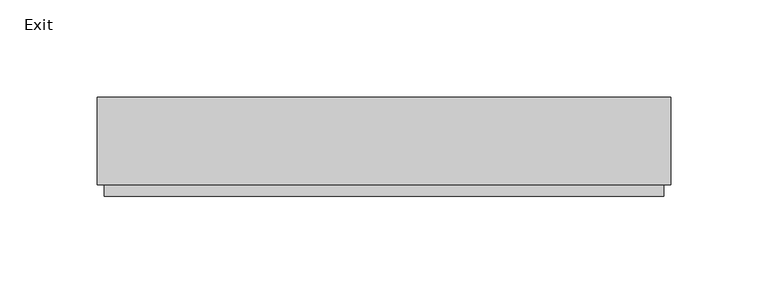
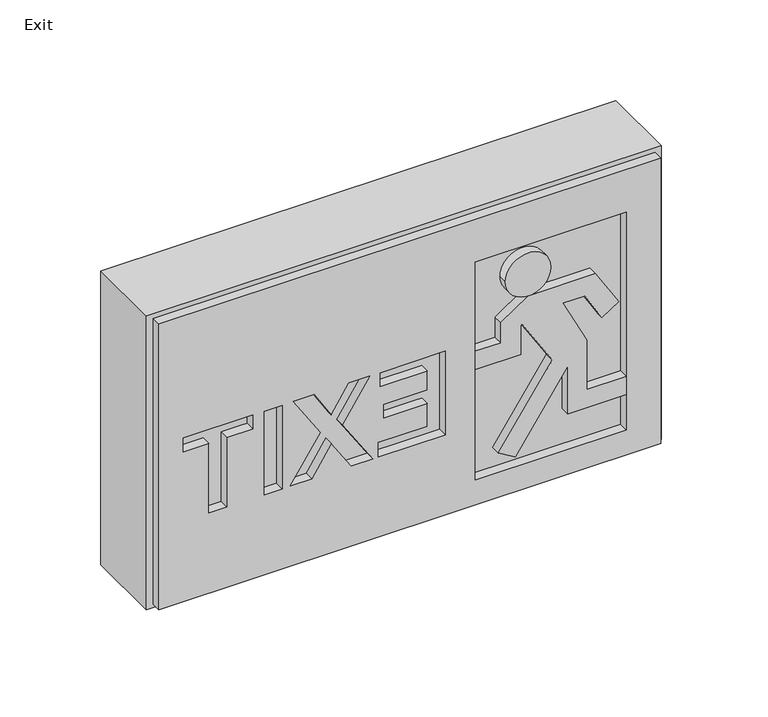
"""IFC4 building model written with IfcOpenShell, lengths in millimetres: light fixture geometry, Exit."""

from ifc_helpers import new_model, si_unit, point, frame, frame_2d, origin, place, context, project, spatial, polyline, circle_curve, trimmed, segment, composite_curve, outline, extrude, source, transform, mapped, element, save


def exit_ce21644f(model_context):
    return source(origin(), model_context, "Body", "SweptSolid", [
        extrude(outline(polyline([(-22.5, -45.0), (-22.5, 0.0), (272.5, 0.0), (272.5, -45.0), (-22.5, -45.0)])), frame((0.0, 0.0, 1711.0), z_axis=(0.0, 0.0, 1.0), x_axis=(1.0, 0.0, 0.0)), (0.0, 0.0, 1.0), 178.0),
        extrude(outline(composite_curve([segment(trimmed(circle_curve(frame_2d((1842.5382951, 192.8544593)), 13.0), [point((1842.5382951, 179.8544593))], [point((1842.5382951, 205.8544593))], False, "CARTESIAN"), True, "CONTINUOUS"), segment(trimmed(circle_curve(frame_2d((1842.5382951, 192.8544593)), 13.0), [point((1842.5382951, 205.8544593))], [point((1842.5382951, 179.8544593))], False, "CARTESIAN"), True, "CONTINUOUS")], self_intersect=False)), frame((0.0, -51.0, 0.0), z_axis=(0.0, 1.0, 0.0), x_axis=(0.0, 0.0, 1.0)), (0.0, 0.0, 1.0), 6.0),
        extrude(outline(polyline([(1806.6023038, 177.0232796), (1806.6023038, 162.6123637), (1795.6023038, 162.6123637), (1795.6023038, 188.6123637), (1813.141173, 188.6123637), (1813.7415976, 189.2127883), (1786.0550088, 206.5132891), (1740.4579423, 175.7576794), (1734.6374808, 185.4445541), (1779.1356317, 215.4589358), (1750.1015179, 215.4589358), (1750.1015179, 249.1079391), (1761.1015179, 249.1079391), (1761.1015179, 226.4589358), (1791.1015179, 226.4589358), (1818.2655739, 212.618158), (1818.2655739, 225.1323433), (1801.8045984, 235.0230953), (1807.8611133, 244.7155451), (1829.5382951, 231.1701386), (1829.5382951, 192.8601632), (1818.8561822, 177.0232796), (1806.6023038, 177.0232796)])), frame((0.0, -51.0, 0.0), z_axis=(0.0, 1.0, 0.0), x_axis=(0.0, 0.0, 1.0)), (0.0, 0.0, 1.0), 6.0),
        extrude(outline(polyline([(1886.5, 268.8582677), (1886.5, -18.8582677), (1713.5, -18.8582677), (1713.5, 268.8582677), (1886.5, 268.8582677)]), holes=[polyline([(1860.6259983, 249.1079391), (1728.6259983, 249.1079391), (1728.6259983, 162.6123637), (1860.6259983, 162.6123637), (1860.6259983, 249.1079391)]), polyline([(1770.6372015, 107.0592288), (1770.6372015, 135.0572103), (1784.4457115, 135.0572103), (1784.4457115, 110.0572103), (1792.7702269, 110.0572103), (1792.7702269, 135.0572103), (1804.200986, 135.0572103), (1804.200986, 108.0190604), (1812.5852938, 108.0190604), (1812.5852938, 145.4694736), (1761.9965361, 145.4694736), (1761.9965361, 107.0592288), (1770.6372015, 107.0592288)]), polyline([(1761.9965361, 91.4689594), (1779.6298626, 80.2046676), (1761.9965361, 68.9403757), (1761.9965361, 56.6124433), (1788.5436114, 73.9935023), (1812.7081666, 58.336611), (1812.7081666, 70.2665105), (1796.8065612, 80.2046676), (1812.7081666, 90.1428246), (1812.7081666, 102.0727241), (1788.5436114, 86.4158328), (1761.9965361, 103.7968918), (1761.9965361, 91.4689594)]), polyline([(1761.9965361, 51.9702514), (1761.9965361, 41.6286178), (1812.5852938, 41.6286178), (1812.5852938, 51.9702514), (1761.9965361, 51.9702514)]), polyline([(1761.9965361, 20.166948), (1761.9965361, 9.9365147), (1804.200986, 9.9365147), (1804.200986, -4.741933), (1812.7081666, -4.741933), (1812.7081666, 35.1789968), (1804.200986, 35.1789968), (1804.200986, 20.166948), (1761.9965361, 20.166948)])]), frame((0.0, -51.0, 0.0), z_axis=(0.0, 1.0, 0.0), x_axis=(0.0, 0.0, 1.0)), (0.0, 0.0, 1.0), 6.0),
        extrude(outline(composite_curve([segment(trimmed(circle_curve(frame_2d((1842.5382951, 192.8544593)), 13.0), [point((1842.5382951, 179.8544593))], [point((1842.5382951, 205.8544593))], False, "CARTESIAN"), True, "CONTINUOUS"), segment(trimmed(circle_curve(frame_2d((1842.5382951, 192.8544593)), 13.0), [point((1842.5382951, 205.8544593))], [point((1842.5382951, 179.8544593))], False, "CARTESIAN"), True, "CONTINUOUS")], self_intersect=False)), frame((0.0, -51.0, 0.0), z_axis=(0.0, 1.0, 0.0), x_axis=(0.0, 0.0, 1.0)), (0.0, 0.0, 1.0), 6.0),
        extrude(outline(polyline([(1806.6023038, 177.0232796), (1806.6023038, 162.6123637), (1795.6023038, 162.6123637), (1795.6023038, 188.6123637), (1813.141173, 188.6123637), (1813.7415976, 189.2127883), (1786.0550088, 206.5132891), (1740.4579423, 175.7576794), (1734.6374808, 185.4445541), (1779.1356317, 215.4589358), (1750.1015179, 215.4589358), (1750.1015179, 249.1079391), (1761.1015179, 249.1079391), (1761.1015179, 226.4589358), (1791.1015179, 226.4589358), (1818.2655739, 212.618158), (1818.2655739, 225.1323433), (1801.8045984, 235.0230953), (1807.8611133, 244.7155451), (1829.5382951, 231.1701386), (1829.5382951, 192.8601632), (1818.8561822, 177.0232796), (1806.6023038, 177.0232796)])), frame((0.0, -51.0, 0.0), z_axis=(0.0, 1.0, 0.0), x_axis=(0.0, 0.0, 1.0)), (0.0, 0.0, 1.0), 6.0),
        extrude(outline(composite_curve([segment(trimmed(circle_curve(frame_2d((1842.5382951, 192.8544593)), 13.0), [point((1842.5382951, 179.8544593))], [point((1842.5382951, 205.8544593))], False, "CARTESIAN"), True, "CONTINUOUS"), segment(trimmed(circle_curve(frame_2d((1842.5382951, 192.8544593)), 13.0), [point((1842.5382951, 205.8544593))], [point((1842.5382951, 179.8544593))], False, "CARTESIAN"), True, "CONTINUOUS")], self_intersect=False)), frame((0.0, -51.0, 0.0), z_axis=(0.0, 1.0, 0.0), x_axis=(0.0, 0.0, 1.0)), (0.0, 0.0, 1.0), 6.0),
        extrude(outline(polyline([(1806.6023038, 177.0232796), (1806.6023038, 162.6123637), (1795.6023038, 162.6123637), (1795.6023038, 188.6123637), (1813.141173, 188.6123637), (1813.7415976, 189.2127883), (1786.0550088, 206.5132891), (1740.4579423, 175.7576794), (1734.6374808, 185.4445541), (1779.1356317, 215.4589358), (1750.1015179, 215.4589358), (1750.1015179, 249.1079391), (1761.1015179, 249.1079391), (1761.1015179, 226.4589358), (1791.1015179, 226.4589358), (1818.2655739, 212.618158), (1818.2655739, 225.1323433), (1801.8045984, 235.0230953), (1807.8611133, 244.7155451), (1829.5382951, 231.1701386), (1829.5382951, 192.8601632), (1818.8561822, 177.0232796), (1806.6023038, 177.0232796)])), frame((0.0, -51.0, 0.0), z_axis=(0.0, 1.0, 0.0), x_axis=(0.0, 0.0, 1.0)), (0.0, 0.0, 1.0), 6.0),
    ])


if __name__ == "__main__":
    model = new_model("IFC4")
    model_context = context("Model", 3, world=origin())
    ifc_project = project(units=[si_unit("LENGTHUNIT", "METRE", prefix="MILLI")], contexts=[model_context])
    site = spatial("IfcSite", under=ifc_project)
    building = spatial("IfcBuilding", under=site)
    placement = place(None, origin())
    ifc_exit_shape = exit_ce21644f(model_context)
    element("IfcLightFixture", 1, ObjectType="Exit", at=placement, inside=building, context=model_context, shape_type="MappedRepresentation", body=[
        mapped(ifc_exit_shape, transform((0.0, 0.0, 0.0), x_axis=(1.0, 0.0, 0.0), y_axis=(0.0, 1.0, 0.0), z_axis=(0.0, 0.0, 1.0))),
    ])
    save(model, "model.ifc")
